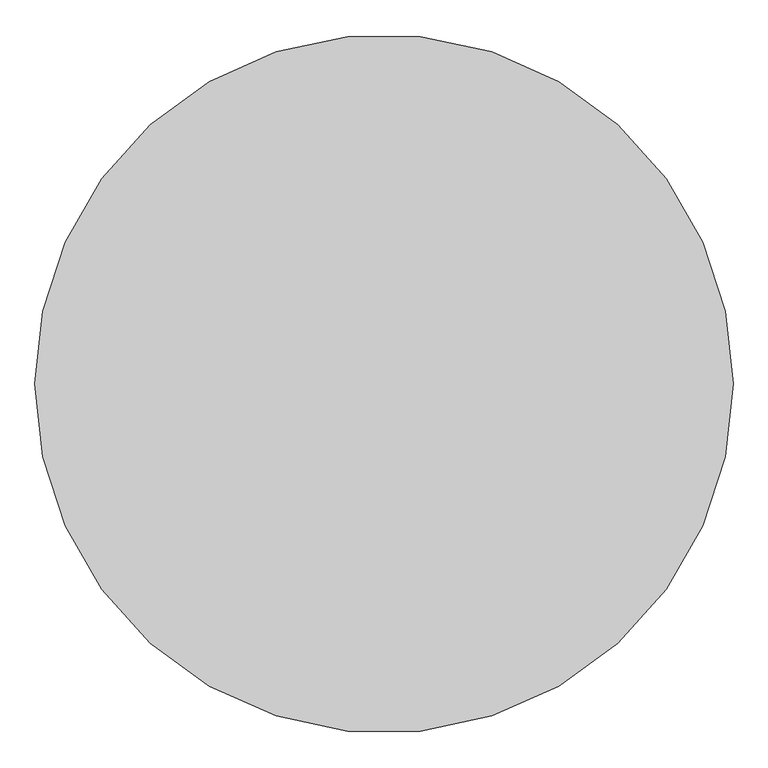
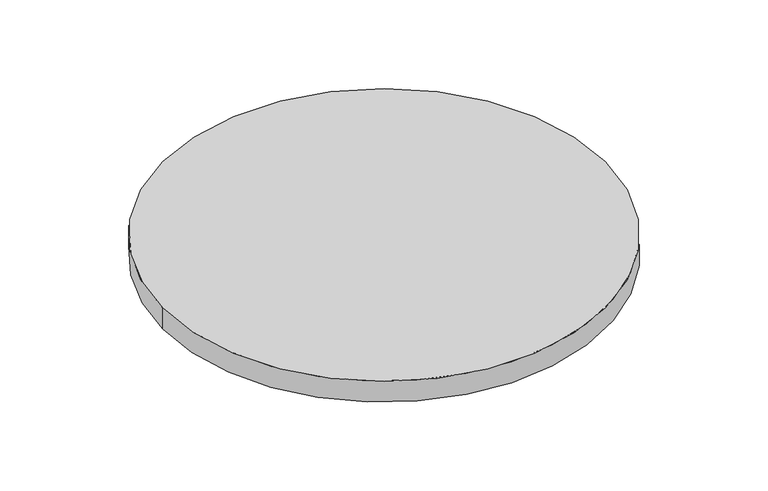
"""IFC4 building model written with IfcOpenShell, lengths in millimetres: proxy geometry."""

from ifc_helpers import new_model, si_unit, point, origin, origin_with_axes, origin_2d, place, context, project, spatial, circle_curve, trimmed, segment, composite_curve, outline, extrude, source, transform, mapped, element, save


def generic_models_52bcc25d(model_context):
    return source(origin(), model_context, "Body", "SweptSolid", [
        extrude(outline(composite_curve([segment(trimmed(circle_curve(origin_2d(), 1000.0), [point((-1000.0, 0.0))], [point((1000.0, 0.0))], False, "CARTESIAN"), True, "CONTINUOUS"), segment(trimmed(circle_curve(origin_2d(), 1000.0), [point((1000.0, 0.0))], [point((-1000.0, 0.0))], False, "CARTESIAN"), True, "CONTINUOUS")], self_intersect=False)), origin_with_axes(), (0.0, 0.0, 1.0), 100.0),
    ])


if __name__ == "__main__":
    model = new_model("IFC4")
    model_context = context("Model", 3, world=origin())
    ifc_project = project(units=[si_unit("LENGTHUNIT", "METRE", prefix="MILLI")], contexts=[model_context])
    site = spatial("IfcSite", under=ifc_project)
    building = spatial("IfcBuilding", under=site)
    placement = place(None, origin())
    generic_models_shape = generic_models_52bcc25d(model_context)
    element("IfcBuildingElementProxy", 1, Name="Generic Models", at=placement, inside=building, context=model_context, shape_type="MappedRepresentation", body=[
        mapped(generic_models_shape, transform((0.0, 0.0, 0.0), x_axis=(1.0, 0.0, 0.0), y_axis=(0.0, 1.0, 0.0), z_axis=(0.0, 0.0, 1.0))),
    ])
    save(model, "model.ifc")
